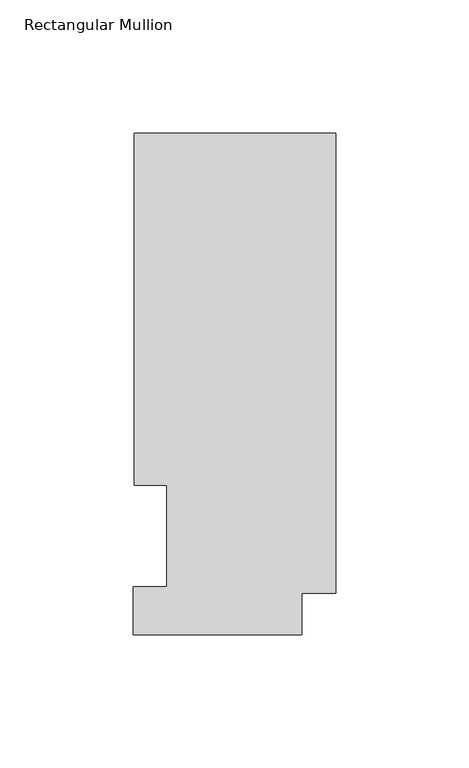
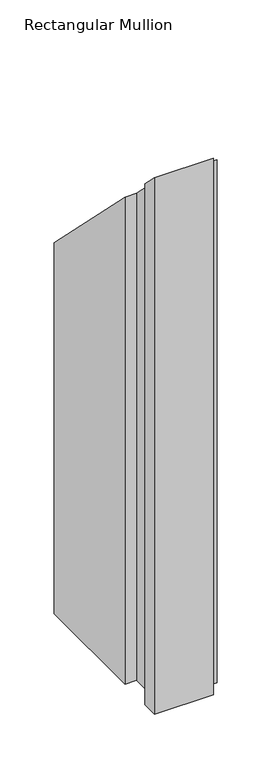
"""IFC4 building model written with IfcOpenShell, lengths in millimetres: member geometry, Rectangular Mullion."""

from ifc_helpers import new_model, si_unit, origin, place, context, project, spatial, faceted_brep, source, transform, mapped, element, save


def rectangular_mullion_5f7dc88a(model_context):
    return source(origin(), model_context, "Body", "Brep", [
        faceted_brep([(-12.7, 0.5199063, -610.5919115), (-76.2, 0.5199063, -610.5919115), (-76.2, 18.5539063, -610.5919115), (-63.5, 18.5539062, -610.5919115), (-63.5, 56.6539062, -610.5919115), (-75.7936, 56.6539063, -610.5919115), (-75.7936, 189.0895063, -610.5919115), (0.0, 189.0895063, -610.5919115), (0.0, 16.1663063, -610.5919115), (-12.7, 16.1663063, -610.5919115), (-12.7, 16.1663063, -16.1663063), (-12.7, 0.5199063, -0.5199063), (0.0, 16.1663063, -16.1663063), (0.0, 189.0895063, -189.0895063), (-75.7936, 189.0895063, -189.0895063), (-75.7936, 56.6539063, -56.6539062), (-63.5, 56.6539062, -56.6539062), (-63.5, 18.5539062, -18.5539062), (-76.2, 18.5539063, -18.5539062), (-76.2, 0.5199063, -0.5199063)], [[[0, 1, 2, 3, 4, 5, 6, 7, 8, 9]], [[10, 11, 0, 9]], [[12, 10, 9, 8]], [[13, 12, 8, 7]], [[14, 13, 7, 6]], [[15, 14, 6, 5]], [[16, 15, 5, 4]], [[17, 16, 4, 3]], [[18, 17, 3, 2]], [[19, 18, 2, 1]], [[11, 19, 1, 0]], [[11, 10, 12, 13, 14, 15, 16, 17, 18, 19]]]),
    ])


if __name__ == "__main__":
    model = new_model("IFC4")
    model_context = context("Model", 3, world=origin())
    ifc_project = project(units=[si_unit("LENGTHUNIT", "METRE", prefix="MILLI")], contexts=[model_context])
    site = spatial("IfcSite", under=ifc_project)
    building = spatial("IfcBuilding", under=site)
    placement = place(None, origin())
    rectangular_mullion_shape = rectangular_mullion_5f7dc88a(model_context)
    element("IfcMember", 1, ObjectType="Rectangular Mullion", at=placement, inside=building, context=model_context, shape_type="MappedRepresentation", body=[
        mapped(rectangular_mullion_shape, transform((0.0, 0.0, 0.0), x_axis=(1.0, 0.0, 0.0), y_axis=(0.0, 1.0, 0.0), z_axis=(0.0, 0.0, 1.0))),
    ])
    save(model, "model.ifc")
